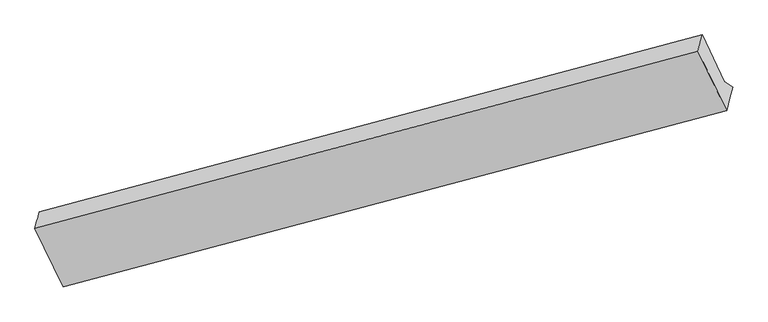
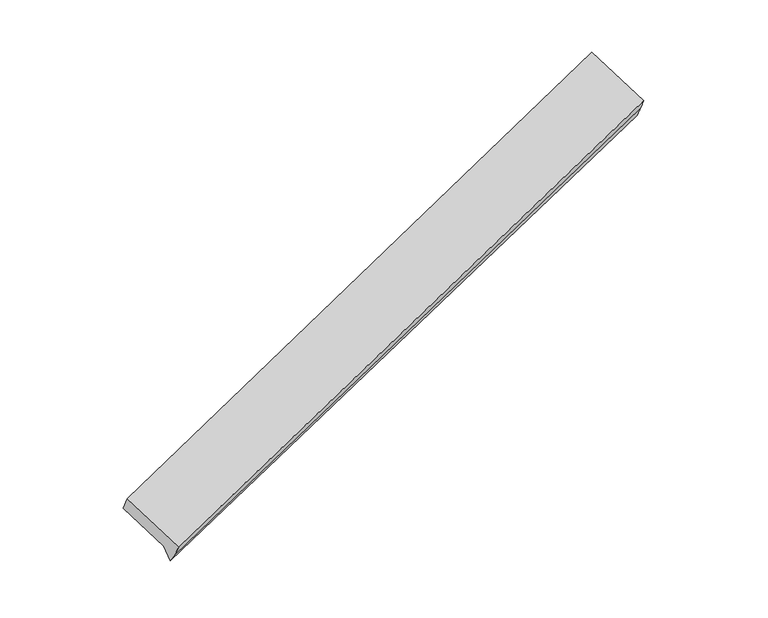
"""IFC4 building model written with IfcOpenShell, lengths in millimetres: proxy geometry."""

from ifc_helpers import new_model, si_unit, frame, origin, place, context, project, spatial, source, transform, mapped, element, save
from ifc_brep_helpers import plane_surface, spline_surface, advanced_brep


def generic_models_34efd2b4(model_context):
    return source(origin(), model_context, "Body", "AdvancedBrep", [
        advanced_brep(
        [(-5095.7134234, -1904.5003161, 1464.9814822), (-4900.3900047, -2312.1886386, 1219.2767577), (-283.9863118, -1084.9322017, 2818.7152461), (-483.1206326, -669.2895831, 3069.2138488), (-5066.7549632, -1790.6433638, 1299.0836365), (-454.6356014, -556.8689737, 2905.3229179), (-4912.413426, -2112.7923556, 1104.9315724), (-298.3739299, -883.0257612, 2708.7554442), (-4859.8690633, -2121.2038092, 963.6171489), (-241.9873536, -919.1767757, 2577.070843), (-4873.9671888, -2208.3011639, 1067.9051646), (-261.2147496, -995.060687, 2687.6972213)],
        [
            (0, 1),
            (1, 2),
            (2, 3),
            (3, 0),
            (4, 0),
            (3, 5),
            (5, 4),
            (6, 4),
            (5, 7),
            (7, 6),
            (8, 6),
            (7, 9),
            (9, 8),
            (10, 8),
            (9, 11),
            (11, 10),
            (1, 10),
            (11, 2),
        ],
        [
            plane_surface(frame((-4998.051714, -2108.3444774, 1342.1291199), z_axis=(-0.13524347159485667, -0.5581667691589245, 0.8186324335119268), x_axis=(0.37962188907760175, -0.7923648491298397, -0.4775407492524584))),
            spline_surface(1, 1, [[(-5066.7549632, -1790.6433638, 1299.0836365), (-454.6356014, -556.8689737, 2905.3229179)], [(-5095.7134234, -1904.5003161, 1464.9814822), (-483.1206326, -669.2895831, 3069.2138488)]], [2, 2], [2, 2], [0.0, 1.0], [0.0, 1.0]),
            plane_surface(frame((-4989.5841946, -1951.7178597, 1202.0076044), z_axis=(0.13569924879124862, 0.5582893069871468, -0.8184734348659717), x_axis=(-0.3796218890776016, 0.7923648491298404, 0.47754074925245743))),
            spline_surface(1, 1, [[(-4859.8690633, -2121.2038092, 963.6171489), (-241.9873536, -919.1767757, 2577.070843)], [(-4912.413426, -2112.7923556, 1104.9315724), (-298.3739299, -883.0257612, 2708.7554442)]], [2, 2], [2, 2], [0.0, 1.0], [0.0, 1.0]),
            spline_surface(1, 1, [[(-4873.9671888, -2208.3011639, 1067.9051646), (-261.2147496, -995.060687, 2687.6972213)], [(-4859.8690633, -2121.2038092, 963.6171489), (-241.9873536, -919.1767757, 2577.070843)]], [2, 2], [2, 2], [0.0, 1.0], [0.0, 1.0]),
            spline_surface(1, 1, [[(-4900.3900047, -2312.1886386, 1219.2767577), (-283.9863118, -1084.9322017, 2818.7152461)], [(-4873.9671888, -2208.3011639, 1067.9051646), (-261.2147496, -995.060687, 2687.6972213)]], [2, 2], [2, 2], [0.0, 1.0], [0.0, 1.0]),
            plane_surface(frame((-352.4207659, -822.6586591, 2815.81566), z_axis=(0.9141981783720435, 0.2421325721167382, 0.3249823197981239), x_axis=(-0.3816602671923083, 0.24469309455682567, 0.8913252660633492))),
            plane_surface(frame((-4951.5180116, -2074.9382745, 1186.6326271), z_axis=(-0.914108395460175, -0.24177890110998185, -0.3254977792969929), x_axis=(-0.3796218890776012, 0.7923648491298402, 0.47754074925245804))),
        ],
        [
            (0, [[1, 2, 3, 4]]),
            (1, [[5, -4, 6, 7]]),
            (2, [[8, -7, 9, 10]]),
            (3, [[11, -10, 12, 13]]),
            (4, [[14, -13, 15, 16]]),
            (5, [[17, -16, 18, -2]]),
            (6, [[-12, -9, -6, -3, -18, -15]]),
            (7, [[-1, -5, -8, -11, -14, -17]]),
        ],
    ),
    ])


if __name__ == "__main__":
    model = new_model("IFC4")
    model_context = context("Model", 3, world=origin())
    ifc_project = project(units=[si_unit("LENGTHUNIT", "METRE", prefix="MILLI")], contexts=[model_context])
    site = spatial("IfcSite", under=ifc_project)
    building = spatial("IfcBuilding", under=site)
    placement = place(None, origin())
    generic_models_shape = generic_models_34efd2b4(model_context)
    element("IfcBuildingElementProxy", 1, Name="Generic Models", at=placement, inside=building, context=model_context, shape_type="MappedRepresentation", body=[
        mapped(generic_models_shape, transform((0.0, 0.0, 0.0), x_axis=(1.0, 0.0, 0.0), y_axis=(0.0, 1.0, 0.0), z_axis=(0.0, 0.0, 1.0))),
    ])
    save(model, "model.ifc")
